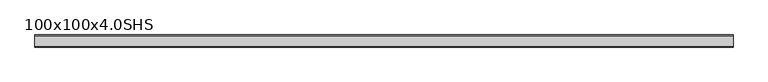
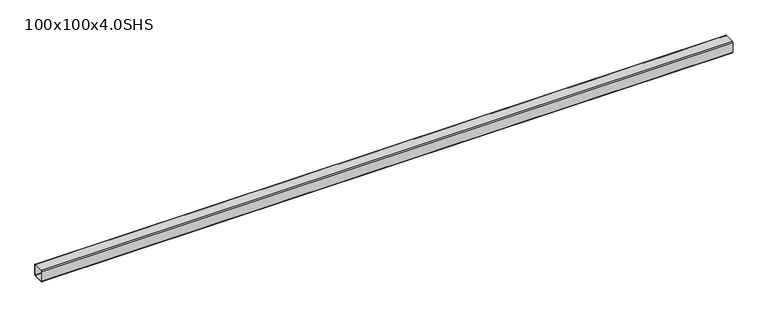
"""IFC4 building model written with IfcOpenShell, lengths in millimetres: beam geometry, 100x100x4.0SHS."""

from ifc_helpers import new_model, si_unit, point, frame, frame_2d, origin, place, context, project, spatial, polyline, circle_curve, trimmed, segment, composite_curve, outline, extrude, source, transform, mapped, element, save


def beam_100x100x4_0shs_376fa765(model_context):
    return source(origin(), model_context, "Body", "SweptSolid", [
        extrude(outline(composite_curve([segment(polyline([(50.0, 42.0), (50.0, -42.0)]), True, "CONTINUOUS"), segment(trimmed(circle_curve(frame_2d((42.0, -42.0)), 8.0), [point((50.0, -42.0))], [point((42.0, -50.0))], False, "CARTESIAN"), True, "CONTINUOUS"), segment(polyline([(42.0, -50.0), (-42.0, -50.0)]), True, "CONTINUOUS"), segment(trimmed(circle_curve(frame_2d((-42.0, -42.0)), 8.0), [point((-42.0, -50.0))], [point((-50.0, -42.0))], False, "CARTESIAN"), True, "CONTINUOUS"), segment(polyline([(-50.0, -42.0), (-50.0, 42.0)]), True, "CONTINUOUS"), segment(trimmed(circle_curve(frame_2d((-42.0, 42.0)), 8.0), [point((-50.0, 42.0))], [point((-42.0, 50.0))], False, "CARTESIAN"), True, "CONTINUOUS"), segment(polyline([(-42.0, 50.0), (42.0, 50.0)]), True, "CONTINUOUS"), segment(trimmed(circle_curve(frame_2d((42.0, 42.0)), 8.0), [point((42.0, 50.0))], [point((50.0, 42.0))], False, "CARTESIAN"), True, "CONTINUOUS")], self_intersect=False), holes=[composite_curve([segment(trimmed(circle_curve(frame_2d((-42.0, 42.0)), 4.0), [point((-42.0, 46.0))], [point((-46.0, 42.0))], True, "CARTESIAN"), True, "CONTINUOUS"), segment(polyline([(-46.0, 42.0), (-46.0, -42.0)]), True, "CONTINUOUS"), segment(trimmed(circle_curve(frame_2d((-42.0, -42.0)), 4.0), [point((-46.0, -42.0))], [point((-42.0, -46.0))], True, "CARTESIAN"), True, "CONTINUOUS"), segment(polyline([(-42.0, -46.0), (42.0, -46.0)]), True, "CONTINUOUS"), segment(trimmed(circle_curve(frame_2d((42.0, -42.0)), 4.0), [point((42.0, -46.0))], [point((46.0, -42.0))], True, "CARTESIAN"), True, "CONTINUOUS"), segment(polyline([(46.0, -42.0), (46.0, 42.0)]), True, "CONTINUOUS"), segment(trimmed(circle_curve(frame_2d((42.0, 42.0)), 4.0), [point((46.0, 42.0))], [point((42.0, 46.0))], True, "CARTESIAN"), True, "CONTINUOUS"), segment(polyline([(42.0, 46.0), (-42.0, 46.0)]), True, "CONTINUOUS")], self_intersect=False)]), frame((-2875.2, 0.0, 0.0), z_axis=(1.0, 0.0, 0.0), x_axis=(0.0, 1.0, 0.0)), (0.0, 0.0, 1.0), 5750.4),
    ])


if __name__ == "__main__":
    model = new_model("IFC4")
    model_context = context("Model", 3, world=origin())
    ifc_project = project(units=[si_unit("LENGTHUNIT", "METRE", prefix="MILLI")], contexts=[model_context])
    site = spatial("IfcSite", under=ifc_project)
    building = spatial("IfcBuilding", under=site)
    placement = place(None, origin())
    beam_100x100x4_0shs_shape = beam_100x100x4_0shs_376fa765(model_context)
    element("IfcBeam", 1, ObjectType="100x100x4.0SHS", at=placement, inside=building, context=model_context, shape_type="MappedRepresentation", body=[
        mapped(beam_100x100x4_0shs_shape, transform((0.0, 0.0, 0.0), x_axis=(1.0, 0.0, 0.0), y_axis=(0.0, 1.0, 0.0), z_axis=(0.0, 0.0, 1.0))),
    ])
    save(model, "model.ifc")
